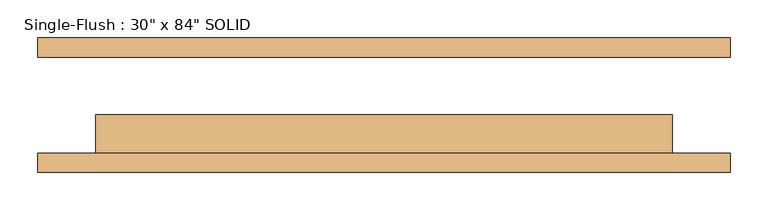
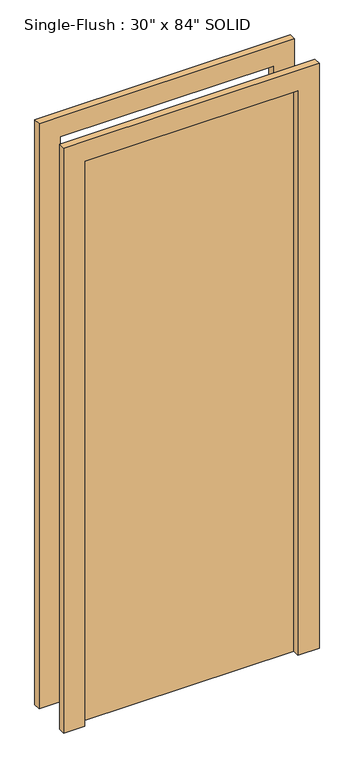
"""IFC4 building model written with IfcOpenShell, lengths in millimetres: door geometry."""

import ifcopenshell
import ifcopenshell.guid

model = None  # the IFC model being written
_history = None  # IfcOwnerHistory: only IFC2X3 demands one
_inside = {}  # id of a spatial element -> (the spatial element, [elements in it])
_under = {}  # id of a project, library or spatial element -> (it, [spatial elements below it])
_declared = {}  # id of a project -> (the project, [libraries it declares])
_typed = {}  # id of a type object -> (the type object, [elements of that type])
_made_of = {}  # id of a material, layer set ... -> (it, [elements and type objects made of it])


def new_model(schema):
    """Start an empty IFC model of exactly this schema.

    Asked for "IFC4X3", IfcOpenShell would pick the latest addendum, in which some entities
    have other attributes; the version numbers below select the first issue.
    IFC2X3 requires an IfcOwnerHistory on every rooted entity: one is made here for all.
    """
    global model, _history
    if schema == "IFC4X3":
        model = ifcopenshell.file(schema_version=(4, 3, 0, 0))
    else:
        model = ifcopenshell.file(schema=schema)
    _inside.clear()
    _under.clear()
    _declared.clear()
    _typed.clear()
    _made_of.clear()
    _history = None
    if model.schema == "IFC2X3":
        org = make("IfcOrganization", Name="unknown")
        user = make(
            "IfcPersonAndOrganization",
            ThePerson=make("IfcPerson", FamilyName="unknown"),
            TheOrganization=org,
        )
        app = make(
            "IfcApplication",
            ApplicationDeveloper=org,
            Version="unknown",
            ApplicationFullName="unknown",
            ApplicationIdentifier="unknown",
        )
        _history = make(
            "IfcOwnerHistory",
            OwningUser=user,
            OwningApplication=app,
            ChangeAction="ADDED",
            CreationDate=0,
        )
    return model


def make(cls, **values):
    """One entity of the class cls with the attributes given. An attribute that is None is left unset."""
    return model.create_entity(
        cls, **{name: value for name, value in values.items() if value is not None}
    )


def rooted(cls, **values):
    """An entity with a GlobalId (a new one), such as an element, a storey or a relation."""
    return make(cls, GlobalId=ifcopenshell.guid.new(), OwnerHistory=_history, **values)


def si_unit(unit_type, name, prefix=None):
    """IfcSIUnit, for example si_unit("LENGTHUNIT", "METRE", prefix="MILLI")."""
    return make("IfcSIUnit", UnitType=unit_type, Prefix=prefix, Name=name)


def assignment(units):
    """IfcUnitAssignment: the units of a project."""
    return None if units is None else make("IfcUnitAssignment", Units=units)


def point(xyz):
    """IfcCartesianPoint."""
    return None if xyz is None else make("IfcCartesianPoint", Coordinates=xyz)


def direction(xyz):
    """IfcDirection."""
    return None if xyz is None else make("IfcDirection", DirectionRatios=xyz)


def frame(location, z_axis=None, x_axis=None):
    """IfcAxis2Placement3D, a coordinate frame: its origin and axes. An axis left out is left unset."""
    return make(
        "IfcAxis2Placement3D",
        Location=point(location),
        Axis=direction(z_axis),
        RefDirection=direction(x_axis),
    )


def origin():
    """The frame at (0, 0, 0) with its axes left unset."""
    return frame((0.0, 0.0, 0.0))


def origin_with_axes():
    """The frame at (0, 0, 0) with the z axis (0, 0, 1) and the x axis (1, 0, 0) written out."""
    return frame((0.0, 0.0, 0.0), z_axis=(0.0, 0.0, 1.0), x_axis=(1.0, 0.0, 0.0))


def place(relative_to, where):
    """IfcLocalPlacement: puts the frame where relative to a parent placement (None: the world)."""
    return make(
        "IfcLocalPlacement", PlacementRelTo=relative_to, RelativePlacement=where
    )


def context(
    kind, dimensions, precision=None, world=None, true_north=None, identifier=None
):
    """IfcGeometricRepresentationContext, for example the 3D "Model" context."""
    return make(
        "IfcGeometricRepresentationContext",
        ContextIdentifier=identifier,
        ContextType=kind,
        CoordinateSpaceDimension=dimensions,
        Precision=precision,
        WorldCoordinateSystem=world,
        TrueNorth=true_north,
    )


def project(units=None, contexts=None):
    """IfcProject with its units and contexts."""
    return rooted(
        "IfcProject",
        Name="project",
        RepresentationContexts=contexts,
        UnitsInContext=assignment(units),
    )


def spatial(cls, under=None, at=None, **own):
    """A site, building, storey or space (cls), placed at a placement, below another one or the project."""
    s = rooted(cls, ObjectPlacement=at, **own)
    if under is not None:
        _under.setdefault(under.id(), (under, []))[1].append(s)
    return s


def polyline(points):
    """IfcPolyline through the points."""
    return make("IfcPolyline", Points=[point(p) for p in points])


def outline(outer, holes=None, kind="AREA"):
    """IfcArbitraryClosedProfileDef: a profile drawn as a closed curve; with holes, ...WithVoids."""
    if holes is None:
        return make("IfcArbitraryClosedProfileDef", ProfileType=kind, OuterCurve=outer)
    return make(
        "IfcArbitraryProfileDefWithVoids",
        ProfileType=kind,
        OuterCurve=outer,
        InnerCurves=holes,
    )


def extrude(swept, where, along, depth):
    """IfcExtrudedAreaSolid: the profile swept, set in the frame where, extruded along a direction by depth."""
    return make(
        "IfcExtrudedAreaSolid",
        SweptArea=swept,
        Position=where,
        ExtrudedDirection=direction(along),
        Depth=depth,
    )


def shape(context_of_items, identifier, shape_type, items):
    """IfcShapeRepresentation: the items that make up one representation, for example the "Body"."""
    return make(
        "IfcShapeRepresentation",
        ContextOfItems=context_of_items,
        RepresentationIdentifier=identifier,
        RepresentationType=shape_type,
        Items=items,
    )


def source(mapping_origin, context_of_items, identifier, shape_type, items):
    """IfcRepresentationMap: a shape defined once, which mapped items show again and again."""
    return make(
        "IfcRepresentationMap",
        MappingOrigin=mapping_origin,
        MappedRepresentation=shape(context_of_items, identifier, shape_type, items),
    )


def transform(
    local_origin,
    x_axis=None,
    y_axis=None,
    z_axis=None,
    scale=None,
    scale2=None,
    scale3=None,
    uniform=True,
):
    """IfcCartesianTransformationOperator3D, or its non-uniform kind. x_axis, y_axis, z_axis: its Axis1, 2, 3."""
    if uniform:
        return make(
            "IfcCartesianTransformationOperator3D",
            Axis1=direction(x_axis),
            Axis2=direction(y_axis),
            LocalOrigin=point(local_origin),
            Scale=scale,
            Axis3=direction(z_axis),
        )
    return make(
        "IfcCartesianTransformationOperator3DnonUniform",
        Axis1=direction(x_axis),
        Axis2=direction(y_axis),
        LocalOrigin=point(local_origin),
        Scale=scale,
        Axis3=direction(z_axis),
        Scale2=scale2,
        Scale3=scale3,
    )


def mapped(mapping_source, mapping_target):
    """IfcMappedItem: shows the shape of a source again, moved by a transform."""
    return make(
        "IfcMappedItem", MappingSource=mapping_source, MappingTarget=mapping_target
    )


def made_of(thing, what):
    """Note that an element or type object is made of a material, layer set ...; save() writes the relation."""
    if what is not None:
        _made_of.setdefault(what.id(), (what, []))[1].append(thing)
    return thing


def element(
    cls,
    number,
    at=None,
    inside=None,
    cuts=None,
    type_object=None,
    material=None,
    context=None,
    identifier="Body",
    shape_type=None,
    held_by="IfcProductDefinitionShape",
    body=None,
    shapes=None,
    **own,
):
    """One element of the class cls, such as IfcWall. Its Tag is "e" and its number.

    at: its placement. inside: the storey or other place that contains it. cuts: it is an
    opening in that element (IfcRelVoidsElement). A single representation is given by context,
    identifier, shape_type and body (its items); several are given by shapes. held_by: the class
    of the entity that holds the representations. save() writes the other relations.
    """
    e = rooted(cls, Tag="e%d" % number, ObjectPlacement=at, **own)
    if body is not None:
        shapes = [shape(context, identifier, shape_type, body)]
    if shapes is not None:
        e.Representation = make(held_by, Representations=shapes)
    if inside is not None:
        _inside.setdefault(inside.id(), (inside, []))[1].append(e)
    if cuts is not None:
        rooted(
            "IfcRelVoidsElement", RelatingBuildingElement=cuts, RelatedOpeningElement=e
        )
    if type_object is not None:
        _typed.setdefault(type_object.id(), (type_object, []))[1].append(e)
    return made_of(e, material)


def aggregate(whole, parts):
    """IfcRelAggregates: a whole, such as a stair, and the parts it consists of."""
    return rooted("IfcRelAggregates", RelatingObject=whole, RelatedObjects=parts)


def save(model, path):
    """Write the relations noted so far, then the file.

    IfcRelAggregates (storeys below a building ...), IfcRelContainedInSpatialStructure (elements
    in a storey), IfcRelDefinesByType, IfcRelAssociatesMaterial and IfcRelDeclares: one each for
    every whole, place, type object, material and project.
    """
    for whole, parts in _under.values():
        aggregate(whole, parts)
    for where, things in _inside.values():
        rooted(
            "IfcRelContainedInSpatialStructure",
            RelatedElements=things,
            RelatingStructure=where,
        )
    for kind, things in _typed.values():
        rooted("IfcRelDefinesByType", RelatedObjects=things, RelatingType=kind)
    for what, things in _made_of.values():
        rooted("IfcRelAssociatesMaterial", RelatedObjects=things, RelatingMaterial=what)
    for by, libraries in _declared.values():
        rooted("IfcRelDeclares", RelatingContext=by, RelatedDefinitions=libraries)
    model.write(path)


def door_e36758a9(model_context):
    return source(origin(), model_context, "Body", "SweptSolid", [
        extrude(outline(polyline([(2209.8, -457.2), (0.0, -457.2), (0.0, -381.0), (2133.6, -381.0), (2133.6, 381.0), (0.0, 381.0), (0.0, 457.2), (2209.8, 457.2), (2209.8, -457.2)])), frame((0.0, -88.9, 0.0), z_axis=(0.0, 1.0, 0.0), x_axis=(0.0, 0.0, 1.0)), (0.0, 0.0, 1.0), 25.4),
        extrude(outline(polyline([(2209.8, 457.2), (2209.8, -457.2), (0.0, -457.2), (0.0, -381.0), (2133.6, -381.0), (2133.6, 381.0), (0.0, 381.0), (0.0, 457.2), (2209.8, 457.2)])), frame((0.0, 63.5, 0.0), z_axis=(0.0, 1.0, 0.0), x_axis=(0.0, 0.0, 1.0)), (0.0, 0.0, 1.0), 25.4),
        extrude(outline(polyline([(381.0, -12.7), (381.0, -63.5), (-381.0, -63.5), (-381.0, -12.7), (381.0, -12.7)])), origin_with_axes(), (0.0, 0.0, 1.0), 2133.6),
    ])


if __name__ == "__main__":
    model = new_model("IFC4")
    model_context = context("Model", 3, world=origin())
    ifc_project = project(units=[si_unit("LENGTHUNIT", "METRE", prefix="MILLI")], contexts=[model_context])
    site = spatial("IfcSite", under=ifc_project)
    building = spatial("IfcBuilding", under=site)
    placement = place(None, origin())
    door_shape = door_e36758a9(model_context)
    element("IfcDoor", 1, ObjectType="Single-Flush : 30\" x 84\" SOLID", at=placement, inside=building, context=model_context, shape_type="MappedRepresentation", body=[
        mapped(door_shape, transform((0.0, 0.0, 0.0), x_axis=(1.0, 0.0, 0.0), y_axis=(0.0, 1.0, 0.0), z_axis=(0.0, 0.0, 1.0))),
    ])
    save(model, "model.ifc")
